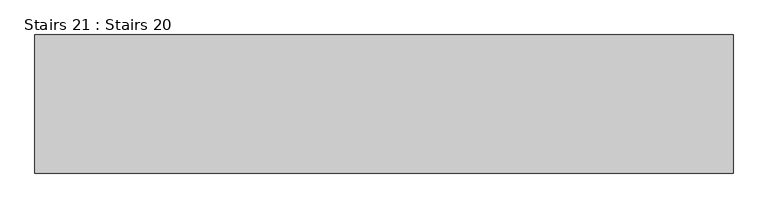
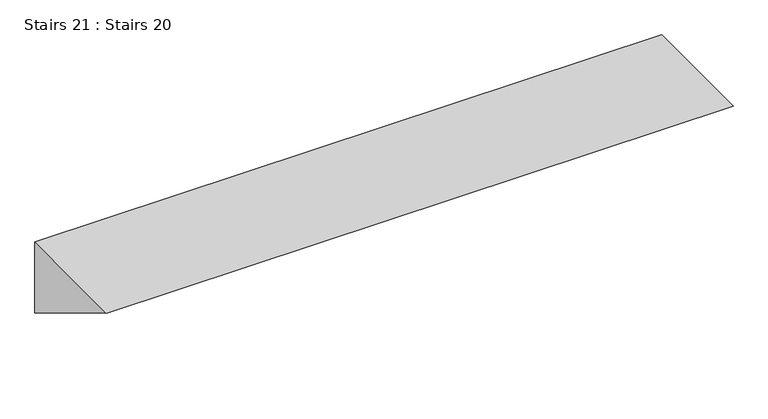
"""IFC4 building model written with IfcOpenShell, lengths in millimetres: stair geometry, Stairs 21 : Stairs 20."""

from ifc_helpers import new_model, si_unit, frame, origin, place, context, project, spatial, polyline, outline, extrude, source, transform, mapped, element, save


def stairs_21_stairs_20_61d0d97a(model_context):
    return source(origin(), model_context, "Body", "SweptSolid", [
        extrude(outline(polyline([(-10104.0672499, 4379.5691033), (-10386.9960112, 4550.0), (-10104.0672499, 4550.0), (-10104.0672499, 4379.5691033)])), frame((-30695.6912908, 0.0, 0.0), z_axis=(1.0, 0.0, 0.0), x_axis=(0.0, 1.0, 0.0)), (0.0, 0.0, 1.0), 1430.0),
    ])


if __name__ == "__main__":
    model = new_model("IFC4")
    model_context = context("Model", 3, world=origin())
    ifc_project = project(units=[si_unit("LENGTHUNIT", "METRE", prefix="MILLI")], contexts=[model_context])
    site = spatial("IfcSite", under=ifc_project)
    building = spatial("IfcBuilding", under=site)
    placement = place(None, origin())
    stairs_21_stairs_20_shape = stairs_21_stairs_20_61d0d97a(model_context)
    element("IfcStair", 1, ObjectType="Stairs 21 : Stairs 20", at=placement, inside=building, context=model_context, shape_type="MappedRepresentation", body=[
        mapped(stairs_21_stairs_20_shape, transform((0.0, 0.0, 0.0), x_axis=(1.0, 0.0, 0.0), y_axis=(0.0, 1.0, 0.0), z_axis=(0.0, 0.0, 1.0))),
    ])
    save(model, "model.ifc")
